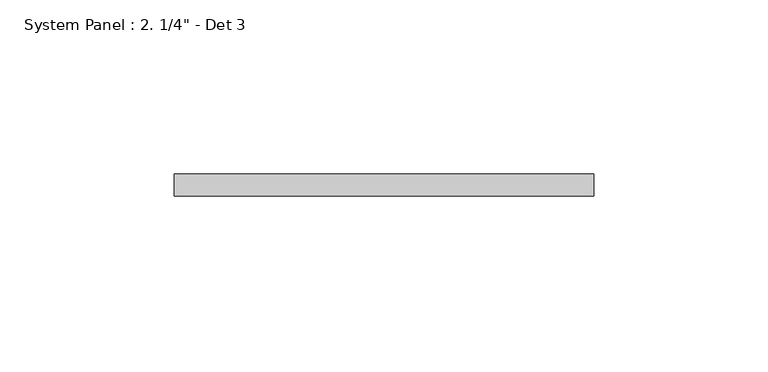
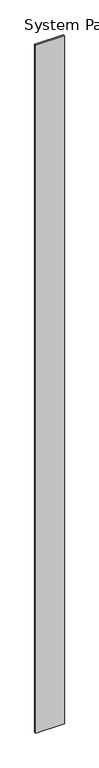
"""IFC4 building model written with IfcOpenShell, lengths in millimetres: plate geometry."""

from ifc_helpers import new_model, si_unit, origin, origin_with_axes, place, context, project, spatial, polyline, outline, extrude, source, transform, mapped, element, save


def plate_08b3f528(model_context):
    return source(origin(), model_context, "Body", "SweptSolid", [
        extrude(outline(polyline([(60.325, 0.0), (-60.325, 0.0), (-60.325, 6.35), (60.325, 6.35), (60.325, 0.0)])), origin_with_axes(), (0.0, 0.0, 1.0), 3048.0),
    ])


if __name__ == "__main__":
    model = new_model("IFC4")
    model_context = context("Model", 3, world=origin())
    ifc_project = project(units=[si_unit("LENGTHUNIT", "METRE", prefix="MILLI")], contexts=[model_context])
    site = spatial("IfcSite", under=ifc_project)
    building = spatial("IfcBuilding", under=site)
    placement = place(None, origin())
    plate_shape = plate_08b3f528(model_context)
    element("IfcPlate", 1, ObjectType="System Panel : 2. 1/4\" - Det 3", at=placement, inside=building, context=model_context, shape_type="MappedRepresentation", body=[
        mapped(plate_shape, transform((0.0, 0.0, 0.0), x_axis=(1.0, 0.0, 0.0), y_axis=(0.0, 1.0, 0.0), z_axis=(0.0, 0.0, 1.0))),
    ])
    save(model, "model.ifc")
